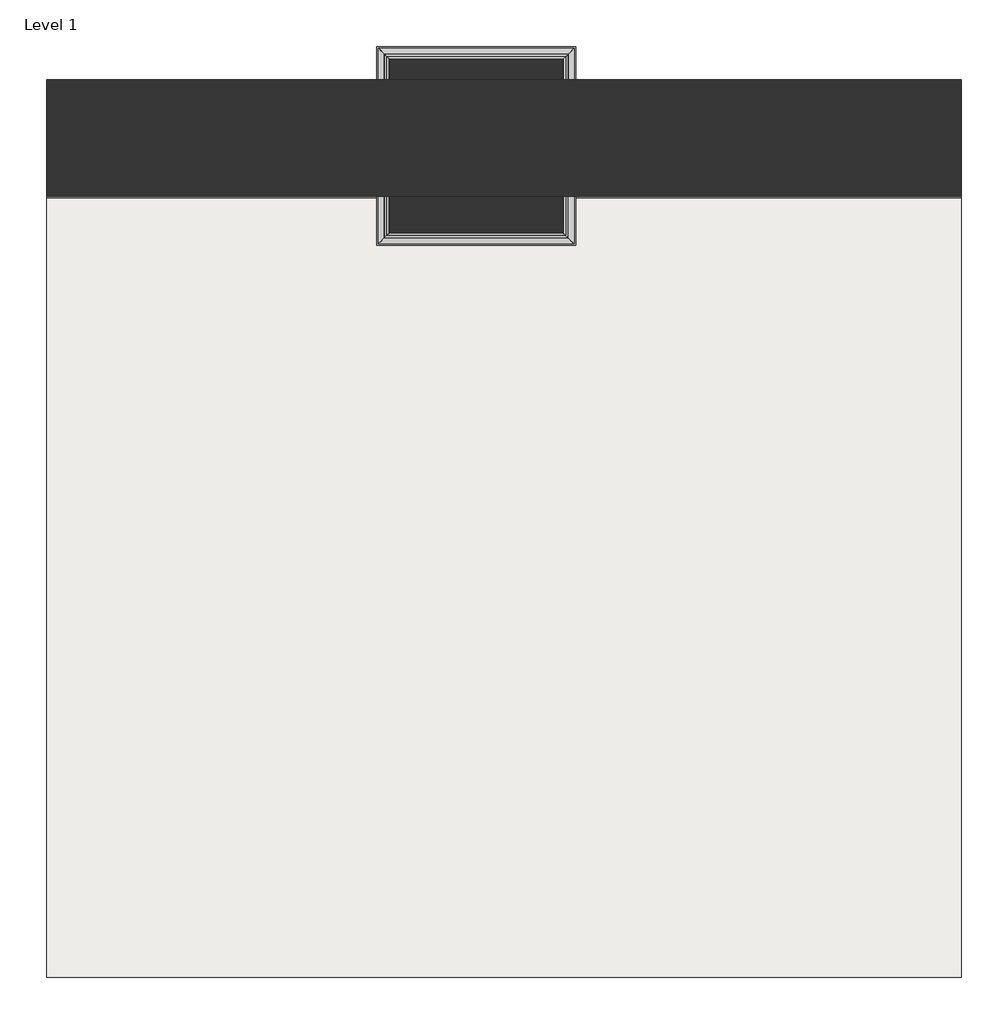
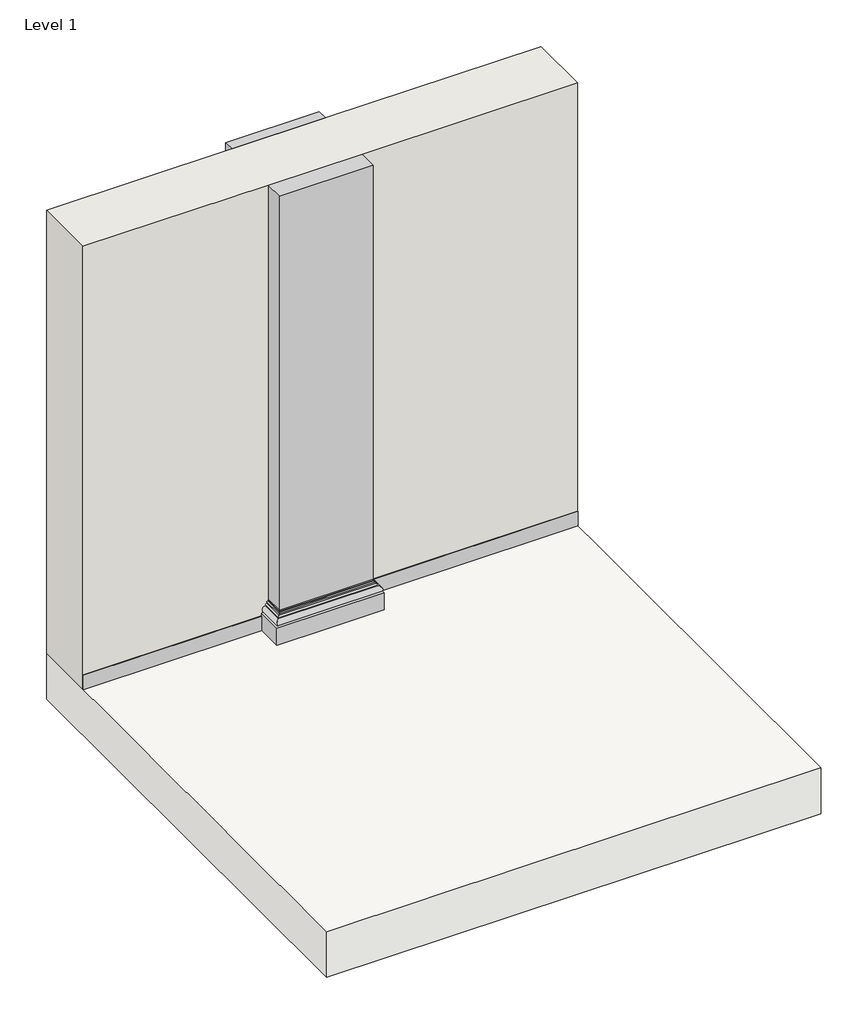
# One storey: 2 proxies, 1 column, 1 slab, 1 wall.
"""IFC4 building model written with IfcOpenShell, lengths in millimetres."""

from ifc_helpers import new_model, si_unit, frame, origin, origin_with_axes, place, context, project, spatial, polyline, circle_curve, ellipse_curve, outline, extrude, faceted_brep, element, save
from ifc_brep_helpers import plane_surface, cylinder_surface, revolved_surface, advanced_brep

model = new_model("IFC4")

# Units and contexts
model_context = context("Model", 3, world=origin())
ifc_project = project(units=[si_unit("LENGTHUNIT", "METRE", prefix="MILLI")], contexts=[model_context])

# Site, building, storey
site = spatial("IfcSite", under=ifc_project)
building = spatial("IfcBuilding", under=site)
storey = spatial("IfcBuildingStorey", under=building, Name="Level 1", Elevation=0.0)

# Proxies
placement = place(None, origin())
element("IfcBuildingElementProxy", 1, Name="Cornice", ObjectType="Cornice", at=placement, inside=storey, context=model_context, shape_type="SweptSolid", body=[
    extrude(outline(polyline([(-615.6728818, 2034.8385158), (-615.6728818, 2039.8385158), (546.5410435, 2039.8385158), (546.5410435, 2034.8385158), (-615.6728818, 2034.8385158)])), origin_with_axes(), (0.0, 0.0, 1.0), 100.0),
])
element("IfcBuildingElementProxy", 2, Name="Cornice", ObjectType="Cornice", at=placement, inside=storey, context=model_context, shape_type="SweptSolid", body=[
    extrude(outline(polyline([(1246.1410435, 2034.8385158), (1246.1410435, 2039.8385158), (2604.3271182, 2039.8385158), (2604.3271182, 2034.8385158), (1246.1410435, 2034.8385158)])), origin_with_axes(), (0.0, 0.0, 1.0), 100.0),
])

# Column
element("IfcColumn", 3, ObjectType="24\" x 24\"", at=placement, inside=storey, context=model_context, shape_type="SolidModel", body=[
    advanced_brep(
    [(591.5410435, 1911.4888047, 199.366874), (591.5410435, 1911.4888047, 0.0), (591.5410435, 2039.8385158, 0.0), (591.5410435, 2039.8385158, 199.366874), (581.5410435, 1901.4888047, 175.0), (581.5410435, 1901.4888047, 185.0), (581.5410435, 2039.8385158, 185.0), (581.5410435, 2039.8385158, 175.0), (546.5410435, 1866.4888047, 0.0), (546.5410435, 1866.4888047, 120.0), (546.5410435, 2039.8385158, 120.0), (546.5410435, 2039.8385158, 0.0), (1211.1410435, 1901.4888047, 175.0), (1211.1410435, 1901.4888047, 160.0), (1211.1410435, 2039.8385158, 160.0), (1211.1410435, 2039.8385158, 175.0), (1221.1410435, 1891.4888047, 160.0), (1221.1410435, 1891.4888047, 120.0), (1221.1410435, 2039.8385158, 120.0), (1221.1410435, 2039.8385158, 160.0), (1246.1410435, 1866.4888047, 0.0), (1201.1410435, 1911.4888047, 0.0), (1201.1410435, 2039.8385158, 0.0), (1246.1410435, 2039.8385158, 0.0), (1201.1410435, 1911.4888047, 199.366874), (590.725751, 1910.6735123, 193.8445604), (1201.9563359, 1910.6735123, 193.8445604), (589.6861926, 1909.6339538, 188.9538224), (1202.9958944, 1909.6339538, 188.9538224), (1211.1410435, 1901.4888047, 185.0), (581.5410435, 1901.4888047, 160.0), (571.5410435, 1891.4888047, 160.0), (571.5410435, 1891.4888047, 120.0), (1246.1410435, 1866.4888047, 120.0), (571.5410435, 2039.8385158, 120.0), (571.5410435, 2039.8385158, 160.0), (581.5410435, 2039.8385158, 160.0), (589.6861926, 2039.8385158, 188.9538224), (590.725751, 2039.8385158, 193.8445604), (1201.1410435, 2039.8385158, 199.366874), (1201.9563359, 2039.8385158, 193.8445604), (1202.9958944, 2039.8385158, 188.9538224), (1211.1410435, 2039.8385158, 185.0), (1246.1410435, 2039.8385158, 120.0)],
    [
        (0, 1),
        (1, 2),
        (2, 3),
        (3, 0),
        (4, 5),
        (5, 6),
        (6, 7),
        (7, 4),
        (8, 9),
        (9, 10),
        (10, 11),
        (11, 8),
        (12, 13, ellipse_curve(frame((1211.1410435, 1901.4888047, 167.5), z_axis=(0.7071067811865475, 0.7071067811865475, 0.0), x_axis=(-0.7071067811865474, 0.7071067811865476, 0.0)), 10.6066017, 7.5)),
        (13, 14),
        (14, 15, circle_curve(frame((1211.1410435, 2039.8385158, 167.5), z_axis=(0.0, -1.0, 0.0), x_axis=(-1.0, 0.0, 0.0)), 7.5)),
        (15, 12),
        (16, 17, ellipse_curve(frame((1221.1410435, 1891.4888047, 140.0), z_axis=(0.7071067811865475, 0.7071067811865475, 0.0), x_axis=(-0.7071067811865474, 0.7071067811865476, 0.0)), 28.2842712, 20.0)),
        (17, 18),
        (18, 19, circle_curve(frame((1221.1410435, 2039.8385158, 140.0), z_axis=(0.0, -1.0, 0.0), x_axis=(-1.0, 0.0, 0.0)), 20.0)),
        (19, 16),
        (20, 8),
        (11, 2),
        (1, 21),
        (21, 22),
        (22, 23),
        (23, 20),
        (0, 24),
        (24, 21),
        (0, 25, ellipse_curve(frame((572.4309379, 1892.3786992, 199.366874), z_axis=(-0.7071067811865475, 0.7071067811865475, 0.0), x_axis=(-0.7071067811865476, -0.7071067811865474, 0.0)), 27.0257705, 19.1101056)),
        (25, 26),
        (26, 24, ellipse_curve(frame((1220.251149, 1892.3786992, 199.366874), z_axis=(0.7071067811865475, 0.7071067811865475, 0.0), x_axis=(-0.7071067811865476, 0.7071067811865474, 0.0)), 27.0257705, 19.1101056)),
        (25, 27, ellipse_curve(frame((551.3568282, 1871.3045895, 199.6568318), z_axis=(-0.7071067811865475, 0.7071067811865475, 0.0), x_axis=(-0.7071067811865476, -0.7071067811865474, 0.0)), 56.2795626, 39.7956603)),
        (27, 28),
        (28, 26, ellipse_curve(frame((1241.3252587, 1871.3045895, 199.6568318), z_axis=(0.7071067811865475, 0.7071067811865475, 0.0), x_axis=(-0.7071067811865476, 0.7071067811865474, 0.0)), 56.2795626, 39.7956603)),
        (27, 5, ellipse_curve(frame((581.1057367, 1901.0534979, 196.2634603), z_axis=(-0.7071067811865475, 0.7071067811865475, 0.0), x_axis=(-0.7071067811865476, -0.7071067811865474, 0.0)), 15.9408299, 11.2718689)),
        (5, 29),
        (29, 28, ellipse_curve(frame((1211.5763503, 1901.0534979, 196.2634603), z_axis=(0.7071067811865475, 0.7071067811865475, 0.0), x_axis=(-0.7071067811865476, 0.7071067811865474, 0.0)), 15.9408299, 11.2718689)),
        (4, 12),
        (12, 29),
        (4, 30, ellipse_curve(frame((581.5410435, 1901.4888047, 167.5), z_axis=(0.7071067811865475, -0.7071067811865475, 0.0), x_axis=(0.7071067811865476, 0.7071067811865474, 0.0)), 10.6066017, 7.5)),
        (30, 13),
        (31, 32, ellipse_curve(frame((571.5410435, 1891.4888047, 140.0), z_axis=(0.7071067811865475, -0.7071067811865475, 0.0), x_axis=(0.7071067811865476, 0.7071067811865474, 0.0)), 28.2842712, 20.0)),
        (32, 17),
        (16, 31),
        (20, 33),
        (33, 9),
        (10, 34),
        (34, 35, circle_curve(frame((571.5410435, 2039.8385158, 140.0), z_axis=(0.0, 1.0, 0.0), x_axis=(1.0, 0.0, 0.0)), 20.0)),
        (35, 36),
        (36, 7, circle_curve(frame((581.5410435, 2039.8385158, 167.5), z_axis=(0.0, 1.0, 0.0), x_axis=(1.0, 0.0, 0.0)), 7.5)),
        (6, 37, circle_curve(frame((581.1057367, 2039.8385158, 196.2634603), z_axis=(0.0, -1.0, 0.0), x_axis=(1.0, 0.0, 0.0)), 11.2718689)),
        (37, 38, circle_curve(frame((551.3568282, 2039.8385158, 199.6568318), z_axis=(0.0, -1.0, 0.0), x_axis=(1.0, 0.0, 0.0)), 39.7956603)),
        (38, 3, circle_curve(frame((572.4309379, 2039.8385158, 199.366874), z_axis=(0.0, -1.0, 0.0), x_axis=(1.0, 0.0, 0.0)), 19.1101056)),
        (22, 39),
        (39, 40, circle_curve(frame((1220.251149, 2039.8385158, 199.366874), z_axis=(0.0, -1.0, 0.0), x_axis=(-1.0, 0.0, 0.0)), 19.1101056)),
        (40, 41, circle_curve(frame((1241.3252587, 2039.8385158, 199.6568318), z_axis=(0.0, -1.0, 0.0), x_axis=(-1.0, 0.0, 0.0)), 39.7956603)),
        (41, 42, circle_curve(frame((1211.5763503, 2039.8385158, 196.2634603), z_axis=(0.0, -1.0, 0.0), x_axis=(-1.0, 0.0, 0.0)), 11.2718689)),
        (42, 15),
        (14, 19),
        (18, 43),
        (43, 23),
        (38, 25),
        (37, 27),
        (36, 30),
        (31, 35),
        (34, 32),
        (24, 39),
        (26, 40),
        (28, 41),
        (29, 42),
        (43, 33),
    ],
    [
        plane_surface(frame((591.5410435, 1911.4888047, 0.0), z_axis=(1.0, 0.0, 0.0), x_axis=(0.0, 1.0, 0.0))),
        plane_surface(frame((581.5410435, 1901.4888047, 185.0), z_axis=(-1.0, 0.0, 0.0), x_axis=(0.0, 1.0, 0.0))),
        plane_surface(frame((546.5410435, 1866.4888047, 120.0), z_axis=(-1.0, 0.0, 0.0), x_axis=(0.0, 1.0, 0.0))),
        cylinder_surface(frame((1211.1410435, 2521.0888047, 167.5), z_axis=(0.0, 1.0, 0.0), x_axis=(-1.0, 0.0, 0.0)), 7.5),
        cylinder_surface(frame((1221.1410435, 2521.0888047, 140.0), z_axis=(0.0, 1.0, 0.0), x_axis=(-1.0, 0.0, 0.0)), 20.0),
        plane_surface(frame((1246.1410435, 1866.4888047, 0.0), z_axis=(0.0, 0.0, -1.0), x_axis=(-1.0, 0.0, 0.0))),
        plane_surface(frame((1201.1410435, 1911.4888047, 0.0), z_axis=(0.0, 1.0, 0.0), x_axis=(-1.0, 0.0, 0.0))),
        revolved_surface(polyline([(553.3208323126587, 1911.4888048, 199.366874), (1239.3612545873414, 1911.4888048, 199.366874)]), (1201.1410435, 1892.3786992, 199.366874), (-1.0, 0.0, 0.0)),
        revolved_surface(polyline([(511.5611678433272, 1911.1002498, 199.6568318), (1281.1209190566728, 1911.1002498, 199.6568318)]), (1201.1410435, 1871.3045895, 199.6568318), (-1.0, 0.0, 0.0)),
        revolved_surface(polyline([(569.8338677799687, 1912.3253668, 196.2634603), (1222.8482192200313, 1912.3253668, 196.2634603)]), (1201.1410435, 1901.0534979, 196.2634603), (-1.0, 0.0, 0.0)),
        plane_surface(frame((1211.1410435, 1901.4888047, 185.0), z_axis=(0.0, -1.0, 0.0), x_axis=(-1.0, 0.0, 0.0))),
        cylinder_surface(frame((1201.1410435, 1901.4888047, 167.5), z_axis=(1.0, 0.0, 0.0), x_axis=(0.0, 1.0, 0.0)), 7.5),
        cylinder_surface(frame((1201.1410435, 1891.4888047, 140.0), z_axis=(1.0, 0.0, 0.0), x_axis=(0.0, 1.0, 0.0)), 20.0),
        plane_surface(frame((1246.1410435, 1866.4888047, 120.0), z_axis=(0.0, -1.0, 0.0), x_axis=(-1.0, 0.0, 0.0))),
        plane_surface(frame((1141.944553, 2039.8385158, 0.0), z_axis=(0.0, 1.0, 0.0), x_axis=(1.0, 0.0, 0.0))),
        revolved_surface(polyline([(591.5410435, 2039.8385158, 199.366874), (591.5410435, 1873.2685936126586, 199.366874)]), (572.4309379, 1911.4888047, 199.366874), (0.0, 1.0, 0.0)),
        revolved_surface(polyline([(591.1524885, 2039.8385158, 199.6568318), (591.1524885, 1831.5089291433274, 199.6568318)]), (551.3568282, 1911.4888047, 199.6568318), (0.0, 1.0, 0.0)),
        revolved_surface(polyline([(592.3776055999999, 2039.8385158, 196.2634603), (592.3776055999999, 1889.7816289799687, 196.2634603)]), (581.1057367, 1911.4888047, 196.2634603), (0.0, 1.0, 0.0)),
        cylinder_surface(frame((581.5410435, 1911.4888047, 167.5), z_axis=(0.0, -1.0, 0.0), x_axis=(1.0, 0.0, 0.0)), 7.5),
        cylinder_surface(frame((571.5410435, 1911.4888047, 140.0), z_axis=(0.0, -1.0, 0.0), x_axis=(1.0, 0.0, 0.0)), 20.0),
        plane_surface(frame((1201.1410435, 2521.0888047, 0.0), z_axis=(-1.0, 0.0, 0.0), x_axis=(0.0, -1.0, 0.0))),
        revolved_surface(polyline([(1201.1410434, 1873.2685936126586, 199.366874), (1201.1410434, 2039.8385158, 199.366874)]), (1220.251149, 2521.0888047, 199.366874), (0.0, -1.0, 0.0)),
        revolved_surface(polyline([(1201.5295984, 1831.5089291433274, 199.6568318), (1201.5295984, 2039.8385158, 199.6568318)]), (1241.3252587, 2521.0888047, 199.6568318), (0.0, -1.0, 0.0)),
        revolved_surface(polyline([(1200.3044814, 1889.7816289799687, 196.2634603), (1200.3044814, 2039.8385158, 196.2634603)]), (1211.5763503, 2521.0888047, 196.2634603), (0.0, -1.0, 0.0)),
        plane_surface(frame((1211.1410435, 2531.0888047, 185.0), z_axis=(1.0, 0.0, 0.0), x_axis=(0.0, -1.0, 0.0))),
        plane_surface(frame((1246.1410435, 2566.0888047, 120.0), z_axis=(1.0, 0.0, 0.0), x_axis=(0.0, -1.0, 0.0))),
        plane_surface(frame((1211.1410435, 1901.4888047, 160.0), z_axis=(0.0, 0.0, 1.0), x_axis=(-1.0, 0.0, 0.0))),
        plane_surface(frame((1221.1410435, 1891.4888047, 120.0), z_axis=(0.0, 0.0, 1.0), x_axis=(-1.0, 0.0, 0.0))),
    ],
    [
        (0, [[1, 2, 3, 4]]),
        (1, [[5, 6, 7, 8]]),
        (2, [[9, 10, 11, 12]]),
        (3, [[13, 14, 15, 16]]),
        (4, [[17, 18, 19, 20]]),
        (5, [[21, -12, 22, -2, 23, 24, 25, 26]]),
        (6, [[-1, 27, 28, -23]]),
        (7, [[29, 30, 31, -27]]),
        (8, [[32, 33, 34, -30]]),
        (9, [[35, 36, 37, -33]]),
        (10, [[-5, 38, 39, -36]]),
        (11, [[40, 41, -13, -38]]),
        (12, [[42, 43, -17, 44]]),
        (13, [[-9, -21, 45, 46]]),
        (14, [[-3, -22, -11, 47, 48, 49, 50, -7, 51, 52, 53]]),
        (14, [[54, 55, 56, 57, 58, -15, 59, -19, 60, 61, -25]]),
        (15, [[-29, -4, -53, 62]]),
        (16, [[-32, -62, -52, 63]]),
        (17, [[-35, -63, -51, -6]]),
        (18, [[-40, -8, -50, 64]]),
        (19, [[-42, 65, -48, 66]]),
        (20, [[-28, 67, -54, -24]]),
        (21, [[-31, 68, -55, -67]]),
        (22, [[-34, 69, -56, -68]]),
        (23, [[-37, 70, -57, -69]]),
        (24, [[-39, -16, -58, -70]]),
        (25, [[-45, -26, -61, 71]]),
        (26, [[-41, -64, -49, -65, -44, -20, -59, -14]]),
        (27, [[-43, -66, -47, -10, -46, -71, -60, -18]]),
    ],
),
    advanced_brep(
    [(591.5410435, 2521.0888047, 199.366874), (590.725751, 2521.9040972, 193.8445604), (590.725751, 2449.8385158, 193.8445604), (591.5410435, 2449.8385158, 199.366874), (589.6861926, 2522.9436556, 188.9538224), (589.6861926, 2449.8385158, 188.9538224), (581.5410435, 2531.0888047, 185.0), (581.5410435, 2449.8385158, 185.0), (581.5410435, 2531.0888047, 175.0), (581.5410435, 2531.0888047, 160.0), (581.5410435, 2449.8385158, 160.0), (581.5410435, 2449.8385158, 175.0), (571.5410435, 2541.0888047, 160.0), (571.5410435, 2541.0888047, 120.0), (571.5410435, 2449.8385158, 120.0), (571.5410435, 2449.8385158, 160.0), (591.5410435, 2521.0888047, 0.0), (1201.1410435, 2521.0888047, 0.0), (1201.1410435, 2521.0888047, 199.366874), (1201.9563359, 2521.9040972, 193.8445604), (1202.9958944, 2522.9436556, 188.9538224), (1211.1410435, 2531.0888047, 185.0), (1211.1410435, 2531.0888047, 175.0), (1211.1410435, 2531.0888047, 160.0), (1221.1410435, 2541.0888047, 160.0), (1221.1410435, 2541.0888047, 120.0), (546.5410435, 2566.0888047, 0.0), (546.5410435, 2566.0888047, 120.0), (1246.1410435, 2566.0888047, 120.0), (1246.1410435, 2566.0888047, 0.0), (1201.1410435, 2449.8385158, 0.0), (1201.1410435, 2449.8385158, 199.366874), (1201.9563359, 2449.8385158, 193.8445604), (1202.9958944, 2449.8385158, 188.9538224), (1211.1410435, 2449.8385158, 185.0), (1211.1410435, 2449.8385158, 175.0), (1246.1410435, 2449.8385158, 120.0), (1246.1410435, 2449.8385158, 0.0), (1211.1410435, 2449.8385158, 160.0), (1221.1410435, 2449.8385158, 160.0), (1221.1410435, 2449.8385158, 120.0), (546.5410435, 2449.8385158, 120.0), (591.5410435, 2449.8385158, 0.0), (546.5410435, 2449.8385158, 0.0)],
    [
        (0, 1, ellipse_curve(frame((572.4309379, 2540.1989103, 199.366874), z_axis=(0.7071067811865475, 0.7071067811865475, 0.0), x_axis=(-0.7071067811865474, 0.7071067811865476, 0.0)), 27.0257705, 19.1101056)),
        (1, 2),
        (2, 3, circle_curve(frame((572.4309379, 2449.8385158, 199.366874), z_axis=(0.0, -1.0, 0.0), x_axis=(1.0, 0.0, 0.0)), 19.1101056)),
        (3, 0),
        (1, 4, ellipse_curve(frame((551.3568282, 2561.27302, 199.6568318), z_axis=(0.7071067811865475, 0.7071067811865475, 0.0), x_axis=(-0.7071067811865474, 0.7071067811865476, 0.0)), 56.2795626, 39.7956603)),
        (4, 5),
        (5, 2, circle_curve(frame((551.3568282, 2449.8385158, 199.6568318), z_axis=(0.0, -1.0, 0.0), x_axis=(1.0, 0.0, 0.0)), 39.7956603)),
        (4, 6, ellipse_curve(frame((581.1057367, 2531.5241115, 196.2634603), z_axis=(0.7071067811865475, 0.7071067811865475, 0.0), x_axis=(-0.7071067811865474, 0.7071067811865476, 0.0)), 15.9408299, 11.2718689)),
        (6, 7),
        (7, 5, circle_curve(frame((581.1057367, 2449.8385158, 196.2634603), z_axis=(0.0, -1.0, 0.0), x_axis=(1.0, 0.0, 0.0)), 11.2718689)),
        (8, 9, ellipse_curve(frame((581.5410435, 2531.0888047, 167.5), z_axis=(-0.7071067811865475, -0.7071067811865475, 0.0), x_axis=(0.7071067811865474, -0.7071067811865476, 0.0)), 10.6066017, 7.5)),
        (9, 10),
        (10, 11, circle_curve(frame((581.5410435, 2449.8385158, 167.5), z_axis=(0.0, 1.0, 0.0), x_axis=(1.0, 0.0, 0.0)), 7.5)),
        (11, 8),
        (12, 13, ellipse_curve(frame((571.5410435, 2541.0888047, 140.0), z_axis=(-0.7071067811865475, -0.7071067811865475, 0.0), x_axis=(0.7071067811865474, -0.7071067811865476, 0.0)), 28.2842712, 20.0)),
        (13, 14),
        (14, 15, circle_curve(frame((571.5410435, 2449.8385158, 140.0), z_axis=(0.0, 1.0, 0.0), x_axis=(1.0, 0.0, 0.0)), 20.0)),
        (15, 12),
        (0, 16),
        (16, 17),
        (17, 18),
        (18, 0),
        (18, 19, ellipse_curve(frame((1220.251149, 2540.1989103, 199.366874), z_axis=(0.7071067811865475, -0.7071067811865475, 0.0), x_axis=(0.7071067811865476, 0.7071067811865474, 0.0)), 27.0257705, 19.1101056)),
        (19, 1),
        (19, 20, ellipse_curve(frame((1241.3252587, 2561.27302, 199.6568318), z_axis=(0.7071067811865475, -0.7071067811865475, 0.0), x_axis=(0.7071067811865476, 0.7071067811865474, 0.0)), 56.2795626, 39.7956603)),
        (20, 4),
        (20, 21, ellipse_curve(frame((1211.5763503, 2531.5241115, 196.2634603), z_axis=(0.7071067811865475, -0.7071067811865475, 0.0), x_axis=(0.7071067811865476, 0.7071067811865474, 0.0)), 15.9408299, 11.2718689)),
        (21, 6),
        (8, 6),
        (21, 22),
        (22, 8),
        (22, 23, ellipse_curve(frame((1211.1410435, 2531.0888047, 167.5), z_axis=(-0.7071067811865475, 0.7071067811865475, 0.0), x_axis=(-0.7071067811865476, -0.7071067811865474, 0.0)), 10.6066017, 7.5)),
        (23, 9),
        (12, 24),
        (24, 25, ellipse_curve(frame((1221.1410435, 2541.0888047, 140.0), z_axis=(-0.7071067811865475, 0.7071067811865475, 0.0), x_axis=(-0.7071067811865476, -0.7071067811865474, 0.0)), 28.2842712, 20.0)),
        (25, 13),
        (26, 27),
        (27, 28),
        (28, 29),
        (29, 26),
        (17, 30),
        (30, 31),
        (31, 18),
        (31, 32, circle_curve(frame((1220.251149, 2449.8385158, 199.366874), z_axis=(0.0, -1.0, 0.0), x_axis=(-1.0, 0.0, 0.0)), 19.1101056)),
        (32, 19),
        (32, 33, circle_curve(frame((1241.3252587, 2449.8385158, 199.6568318), z_axis=(0.0, -1.0, 0.0), x_axis=(-1.0, 0.0, 0.0)), 39.7956603)),
        (33, 20),
        (33, 34, circle_curve(frame((1211.5763503, 2449.8385158, 196.2634603), z_axis=(0.0, -1.0, 0.0), x_axis=(-1.0, 0.0, 0.0)), 11.2718689)),
        (34, 21),
        (34, 35),
        (35, 22),
        (28, 36),
        (36, 37),
        (37, 29),
        (23, 38),
        (38, 39),
        (39, 24),
        (15, 10),
        (25, 40),
        (40, 36),
        (27, 41),
        (41, 14),
        (30, 37),
        (40, 39, circle_curve(frame((1221.1410435, 2449.8385158, 140.0), z_axis=(0.0, -1.0, 0.0), x_axis=(-1.0, 0.0, 0.0)), 20.0)),
        (38, 35, circle_curve(frame((1211.1410435, 2449.8385158, 167.5), z_axis=(0.0, -1.0, 0.0), x_axis=(-1.0, 0.0, 0.0)), 7.5)),
        (3, 42),
        (42, 16),
        (11, 7),
        (26, 43),
        (43, 41),
        (42, 43),
    ],
    [
        revolved_surface(polyline([(591.5410435, 2559.3090158873415, 199.366874), (591.5410435, 2449.8385158, 199.366874)]), (572.4309379, 1911.4888047, 199.366874), (0.0, 1.0, 0.0)),
        revolved_surface(polyline([(591.1524885, 2601.0686803566728, 199.6568318), (591.1524885, 2449.8385158, 199.6568318)]), (551.3568282, 1911.4888047, 199.6568318), (0.0, 1.0, 0.0)),
        revolved_surface(polyline([(592.3776055999999, 2542.795980420031, 196.2634603), (592.3776055999999, 2449.8385158, 196.2634603)]), (581.1057367, 1911.4888047, 196.2634603), (0.0, 1.0, 0.0)),
        cylinder_surface(frame((581.5410435, 1911.4888047, 167.5), z_axis=(0.0, -1.0, 0.0), x_axis=(1.0, 0.0, 0.0)), 7.5),
        cylinder_surface(frame((571.5410435, 1911.4888047, 140.0), z_axis=(0.0, -1.0, 0.0), x_axis=(1.0, 0.0, 0.0)), 20.0),
        plane_surface(frame((591.5410435, 2521.0888047, 0.0), z_axis=(0.0, -1.0, 0.0), x_axis=(1.0, 0.0, 0.0))),
        revolved_surface(polyline([(1239.3612545873411, 2521.0888047, 199.366874), (553.3208323126587, 2521.0888047, 199.366874)]), (591.5410435, 2540.1989103, 199.366874), (1.0, 0.0, 0.0)),
        revolved_surface(polyline([(1281.1209190566728, 2521.4773597000003, 199.6568318), (511.5611678433272, 2521.4773597000003, 199.6568318)]), (591.5410435, 2561.27302, 199.6568318), (1.0, 0.0, 0.0)),
        revolved_surface(polyline([(1222.8482192200313, 2520.2522426, 196.2634603), (569.8338677799687, 2520.2522426, 196.2634603)]), (591.5410435, 2531.5241115, 196.2634603), (1.0, 0.0, 0.0)),
        plane_surface(frame((581.5410435, 2531.0888047, 185.0), z_axis=(0.0, 1.0, 0.0), x_axis=(1.0, 0.0, 0.0))),
        cylinder_surface(frame((591.5410435, 2531.0888047, 167.5), z_axis=(-1.0, 0.0, 0.0), x_axis=(0.0, -1.0, 0.0)), 7.5),
        cylinder_surface(frame((591.5410435, 2541.0888047, 140.0), z_axis=(-1.0, 0.0, 0.0), x_axis=(0.0, -1.0, 0.0)), 20.0),
        plane_surface(frame((546.5410435, 2566.0888047, 120.0), z_axis=(0.0, 1.0, 0.0), x_axis=(1.0, 0.0, 0.0))),
        plane_surface(frame((1201.1410435, 2521.0888047, 0.0), z_axis=(-1.0, 0.0, 0.0), x_axis=(0.0, -1.0, 0.0))),
        revolved_surface(polyline([(1201.1410434, 2449.8385158, 199.366874), (1201.1410434, 2559.3090158873415, 199.366874)]), (1220.251149, 2521.0888047, 199.366874), (0.0, -1.0, 0.0)),
        revolved_surface(polyline([(1201.5295984, 2449.8385158, 199.6568318), (1201.5295984, 2601.0686803566728, 199.6568318)]), (1241.3252587, 2521.0888047, 199.6568318), (0.0, -1.0, 0.0)),
        revolved_surface(polyline([(1200.3044814, 2449.8385158, 196.2634603), (1200.3044814, 2542.7959804200314, 196.2634603)]), (1211.5763503, 2521.0888047, 196.2634603), (0.0, -1.0, 0.0)),
        plane_surface(frame((1211.1410435, 2531.0888047, 185.0), z_axis=(1.0, 0.0, 0.0), x_axis=(0.0, -1.0, 0.0))),
        plane_surface(frame((1246.1410435, 2566.0888047, 120.0), z_axis=(1.0, 0.0, 0.0), x_axis=(0.0, -1.0, 0.0))),
        plane_surface(frame((1211.1410435, 1901.4888047, 160.0), z_axis=(0.0, 0.0, 1.0), x_axis=(-1.0, 0.0, 0.0))),
        plane_surface(frame((1221.1410435, 1891.4888047, 120.0), z_axis=(0.0, 0.0, 1.0), x_axis=(-1.0, 0.0, 0.0))),
        plane_surface(frame((1141.944553, 2449.8385158, 0.0), z_axis=(0.0, -1.0, 0.0), x_axis=(-1.0, 0.0, 0.0))),
        plane_surface(frame((591.5410435, 1911.4888047, 0.0), z_axis=(1.0, 0.0, 0.0), x_axis=(0.0, 1.0, 0.0))),
        plane_surface(frame((581.5410435, 1901.4888047, 185.0), z_axis=(-1.0, 0.0, 0.0), x_axis=(0.0, 1.0, 0.0))),
        plane_surface(frame((546.5410435, 1866.4888047, 120.0), z_axis=(-1.0, 0.0, 0.0), x_axis=(0.0, 1.0, 0.0))),
        cylinder_surface(frame((1211.1410435, 2521.0888047, 167.5), z_axis=(0.0, 1.0, 0.0), x_axis=(-1.0, 0.0, 0.0)), 7.5),
        cylinder_surface(frame((1221.1410435, 2521.0888047, 140.0), z_axis=(0.0, 1.0, 0.0), x_axis=(-1.0, 0.0, 0.0)), 20.0),
        plane_surface(frame((1246.1410435, 1866.4888047, 0.0), z_axis=(0.0, 0.0, -1.0), x_axis=(-1.0, 0.0, 0.0))),
    ],
    [
        (0, [[1, 2, 3, 4]]),
        (1, [[5, 6, 7, -2]]),
        (2, [[8, 9, 10, -6]]),
        (3, [[11, 12, 13, 14]]),
        (4, [[15, 16, 17, 18]]),
        (5, [[19, 20, 21, 22]]),
        (6, [[-1, -22, 23, 24]]),
        (7, [[-5, -24, 25, 26]]),
        (8, [[-8, -26, 27, 28]]),
        (9, [[29, -28, 30, 31]]),
        (10, [[-11, -31, 32, 33]]),
        (11, [[-15, 34, 35, 36]]),
        (12, [[37, 38, 39, 40]]),
        (13, [[-21, 41, 42, 43]]),
        (14, [[-23, -43, 44, 45]]),
        (15, [[-25, -45, 46, 47]]),
        (16, [[-27, -47, 48, 49]]),
        (17, [[-30, -49, 50, 51]]),
        (18, [[-39, 52, 53, 54]]),
        (19, [[-33, 55, 56, 57, -34, -18, 58, -12]]),
        (20, [[-36, 59, 60, -52, -38, 61, 62, -16]]),
        (21, [[-42, 63, -53, -60, 64, -56, 65, -50, -48, -46, -44]]),
        (22, [[-19, -4, 66, 67]]),
        (23, [[-29, -14, 68, -9]]),
        (24, [[-37, 69, 70, -61]]),
        (25, [[-32, -51, -65, -55]]),
        (26, [[-35, -57, -64, -59]]),
        (27, [[-20, -67, 71, -69, -40, -54, -63, -41]]),
        (21, [[-66, -3, -7, -10, -68, -13, -58, -17, -62, -70, -71]]),
    ],
),
    extrude(outline(polyline([(591.5410435, 2521.0888047), (1201.1410435, 2521.0888047), (1201.1410435, 2449.8385158), (591.5410435, 2449.8385158), (591.5410435, 2521.0888047)])), origin_with_axes(), (0.0, 0.0, 1.0), 3048.0),
    extrude(outline(polyline([(1201.1410435, 1911.4888047), (591.5410435, 1911.4888047), (591.5410435, 2039.8385158), (1201.1410435, 2039.8385158), (1201.1410435, 1911.4888047)])), origin_with_axes(), (0.0, 0.0, 1.0), 3048.0),
])

# Slab
element("IfcSlab", 4, at=placement, inside=storey, context=model_context, shape_type="SweptSolid", body=[
    extrude(outline(polyline([(2604.3271182, 2449.8385158), (2604.3271182, -710.1614842), (-615.6728818, -710.1614842), (-615.6728818, 2449.8385158), (2604.3271182, 2449.8385158)])), frame((0.0, 0.0, -314.8), z_axis=(0.0, 0.0, 1.0), x_axis=(1.0, 0.0, 0.0)), (0.0, 0.0, 1.0), 314.8),
])

# Wall
element("IfcWall", 5, ObjectType="Generic - 12\"", at=placement, inside=storey, context=model_context, shape_type="Brep", body=[
    faceted_brep([(-615.6728818, 2039.8385158, 0.0), (546.5410435, 2039.8385158, 0.0), (591.5410435, 2039.8385158, 0.0), (1201.1410435, 2039.8385158, 0.0), (1246.1410435, 2039.8385158, 0.0), (2604.3271182, 2039.8385158, 0.0), (2604.3271182, 2039.8385158, 3048.0), (1201.1410435, 2039.8385158, 3048.0), (591.5410435, 2039.8385158, 3048.0), (-615.6728818, 2039.8385158, 3048.0), (-615.6728818, 2449.8385158, 0.0), (-615.6728818, 2449.8385158, 3048.0), (591.5410435, 2449.8385158, 3048.0), (1201.1410435, 2449.8385158, 3048.0), (2604.3271182, 2449.8385158, 3048.0), (2604.3271182, 2449.8385158, 0.0), (1246.1410435, 2449.8385158, 0.0), (1201.1410435, 2449.8385158, 0.0), (591.5410435, 2449.8385158, 0.0), (546.5410435, 2449.8385158, 0.0)], [[[0, 1, 2, 3, 4, 5, 6, 7, 8, 9]], [[10, 11, 12, 13, 14, 15, 16, 17, 18, 19]], [[5, 4, 3, 2, 1, 0, 10, 19, 18, 17, 16, 15]], [[6, 5, 15, 14]], [[9, 8, 7, 6, 14, 13, 12, 11]], [[0, 9, 11, 10]]]),
])

save(model, "model.ifc")
